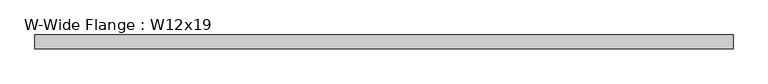
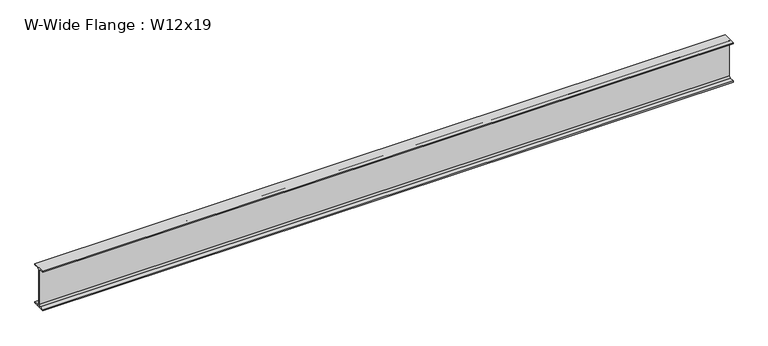
"""IFC4 building model written with IfcOpenShell, lengths in millimetres: beam geometry, W-Wide Flange : W12x19."""

from ifc_helpers import new_model, si_unit, point, frame, frame_2d, origin, place, context, project, spatial, polyline, circle_curve, trimmed, segment, composite_curve, outline, extrude, source, transform, mapped, element, save


def w_wide_flange_w12x19_57f36179(model_context):
    return source(origin(), model_context, "Body", "SweptSolid", [
        extrude(outline(composite_curve([segment(polyline([(50.927, -146.05), (50.927, -154.94), (-50.927, -154.94), (-50.927, -146.05), (-16.3195, -146.05)]), True, "CONTINUOUS"), segment(trimmed(circle_curve(frame_2d((-16.3195, -132.715)), 13.335), [point((-16.3195, -146.05))], [point((-2.9845, -132.715))], True, "CARTESIAN"), True, "CONTINUOUS"), segment(polyline([(-2.9845, -132.715), (-2.9845, 132.715)]), True, "CONTINUOUS"), segment(trimmed(circle_curve(frame_2d((-16.3195, 132.715)), 13.335), [point((-2.9845, 132.715))], [point((-16.3195, 146.05))], True, "CARTESIAN"), True, "CONTINUOUS"), segment(polyline([(-16.3195, 146.05), (-50.927, 146.05), (-50.927, 154.94), (50.927, 154.94), (50.927, 146.05), (16.3195, 146.05)]), True, "CONTINUOUS"), segment(trimmed(circle_curve(frame_2d((16.3195, 132.715)), 13.335), [point((16.3195, 146.05))], [point((2.9845, 132.715))], True, "CARTESIAN"), True, "CONTINUOUS"), segment(polyline([(2.9845, 132.715), (2.9845, -132.715)]), True, "CONTINUOUS"), segment(trimmed(circle_curve(frame_2d((16.3195, -132.715)), 13.335), [point((2.9845, -132.715))], [point((16.3195, -146.05))], True, "CARTESIAN"), True, "CONTINUOUS"), segment(polyline([(16.3195, -146.05), (50.927, -146.05)]), True, "CONTINUOUS")], self_intersect=False)), frame((-2576.83, 0.0, 0.0), z_axis=(1.0, 0.0, 0.0), x_axis=(0.0, 1.0, 0.0)), (0.0, 0.0, 1.0), 5143.5),
    ])


if __name__ == "__main__":
    model = new_model("IFC4")
    model_context = context("Model", 3, world=origin())
    ifc_project = project(units=[si_unit("LENGTHUNIT", "METRE", prefix="MILLI")], contexts=[model_context])
    site = spatial("IfcSite", under=ifc_project)
    building = spatial("IfcBuilding", under=site)
    placement = place(None, origin())
    w_wide_flange_w12x19_shape = w_wide_flange_w12x19_57f36179(model_context)
    element("IfcBeam", 1, ObjectType="W-Wide Flange : W12x19", at=placement, inside=building, context=model_context, shape_type="MappedRepresentation", body=[
        mapped(w_wide_flange_w12x19_shape, transform((0.0, 0.0, 0.0), x_axis=(1.0, 0.0, 0.0), y_axis=(0.0, 1.0, 0.0), z_axis=(0.0, 0.0, 1.0))),
    ])
    save(model, "model.ifc")
